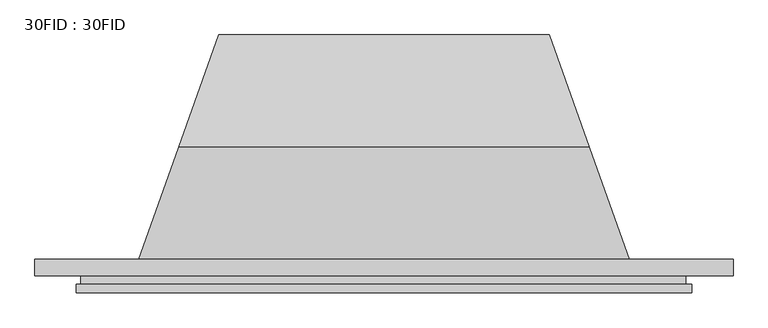
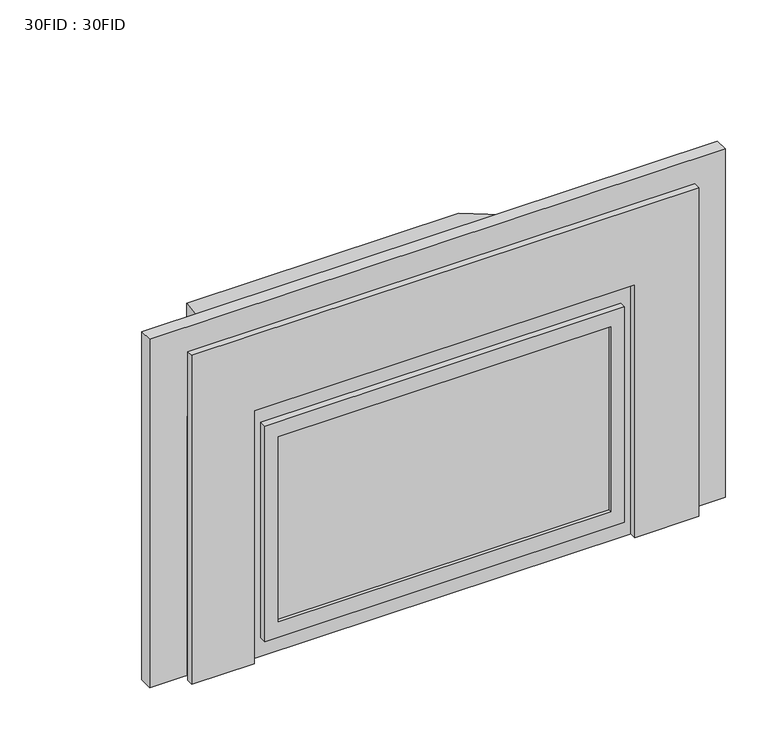
"""IFC4 building model written with IfcOpenShell, lengths in millimetres: proxy geometry, 30FID : 30FID."""

from ifc_helpers import new_model, si_unit, frame, origin, origin_with_axes, place, context, project, spatial, polyline, outline, extrude, faceted_brep, source, transform, mapped, element, save


def proxy_30fid_30fid_0757d12e(model_context):
    return source(origin(), model_context, "Body", "SolidModel", [
        extrude(outline(polyline([(306.6416473, -44.45), (-309.3083527, -44.45), (-309.3083527, -38.1), (306.6416473, -38.1), (306.6416473, -44.45)])), frame((0.0, 0.0, 66.675), z_axis=(0.0, 0.0, 1.0), x_axis=(1.0, 0.0, 0.0)), (0.0, 0.0, 1.0), 361.95),
        extrude(outline(polyline([(644.525, 469.9), (644.525, -469.9), (0.0, -469.9), (0.0, -353.7583527), (495.3, -353.7583527), (495.3, 351.0916473), (0.0, 351.0916473), (0.0, 469.9), (644.525, 469.9)])), frame((0.0, -50.8, 0.0), z_axis=(0.0, 1.0, 0.0), x_axis=(0.0, 0.0, 1.0)), (0.0, 0.0, 1.0), 12.7),
        extrude(outline(polyline([(458.7875, -334.7083527), (36.5125, -334.7083527), (36.5125, 332.0416473), (458.7875, 332.0416473), (458.7875, -334.7083527)]), holes=[polyline([(428.625, -309.3083527), (428.625, 306.6416473), (66.675, 306.6416473), (66.675, -309.3083527), (428.625, -309.3083527)])]), frame((0.0, -50.8, 0.0), z_axis=(0.0, 1.0, 0.0), x_axis=(0.0, 0.0, 1.0)), (0.0, 0.0, 1.0), 12.7),
        extrude(outline(polyline([(460.8832945, -25.4), (460.8832945, -38.1), (-463.55, -38.1), (-463.55, -25.4), (460.8832945, -25.4)])), origin_with_axes(), (0.0, 0.0, 1.0), 508.0),
        extrude(outline(polyline([(533.4, 0.0), (533.4, -25.4), (-533.4, -25.4), (-533.4, 0.0), (533.4, 0.0)])), origin_with_axes(), (0.0, 0.0, 1.0), 682.625),
        faceted_brep([(-374.65, 0.0, 508.0), (374.65, 0.0, 508.0), (313.53125, 171.45, 508.0), (-313.53125, 171.45, 508.0), (-252.4125, 342.9, 0.0), (252.4125, 342.9, 0.0), (374.65, 0.0, 0.0), (-374.65, 0.0, 0.0), (-252.4125, 342.9, 431.8), (252.4125, 342.9, 431.8)], [[[0, 1, 2, 3]], [[4, 5, 6, 7]], [[4, 7, 0, 3, 8]], [[1, 0, 7, 6]], [[6, 5, 9, 2, 1]], [[5, 4, 8, 9]], [[3, 2, 9, 8]]]),
    ])


if __name__ == "__main__":
    model = new_model("IFC4")
    model_context = context("Model", 3, world=origin())
    ifc_project = project(units=[si_unit("LENGTHUNIT", "METRE", prefix="MILLI")], contexts=[model_context])
    site = spatial("IfcSite", under=ifc_project)
    building = spatial("IfcBuilding", under=site)
    placement = place(None, origin())
    proxy_30fid_30fid_shape = proxy_30fid_30fid_0757d12e(model_context)
    element("IfcBuildingElementProxy", 1, Name="30FID : 30FID", ObjectType="30FID : 30FID", at=placement, inside=building, context=model_context, shape_type="MappedRepresentation", body=[
        mapped(proxy_30fid_30fid_shape, transform((0.0, 0.0, 0.0), x_axis=(1.0, 0.0, 0.0), y_axis=(0.0, 1.0, 0.0), z_axis=(0.0, 0.0, 1.0))),
    ])
    save(model, "model.ifc")
